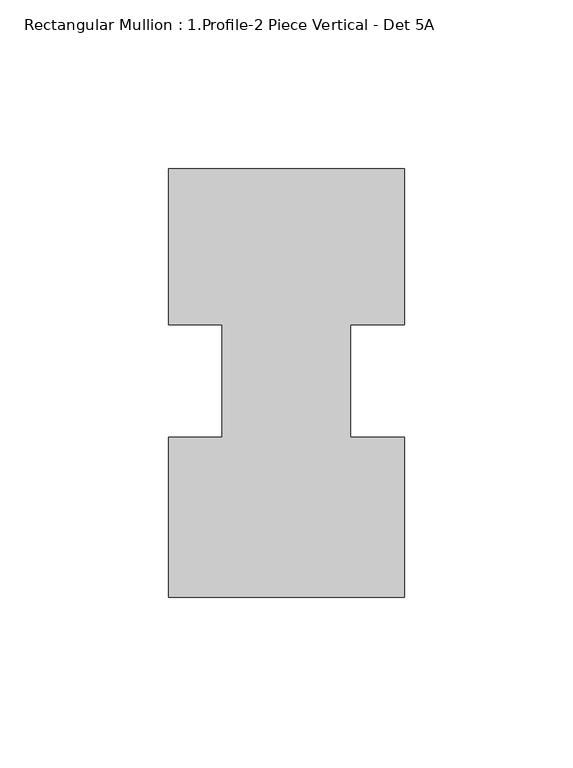
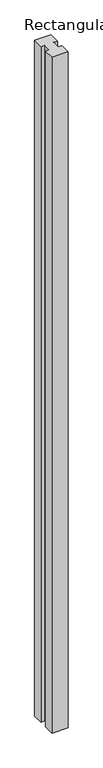
"""IFC4 building model written with IfcOpenShell, lengths in millimetres: member geometry, Rectangular Mullion : 1.Profile-2 Piece Vertical - Det 5A."""

import ifcopenshell
import ifcopenshell.guid

model = None  # the IFC model being written
_history = None  # IfcOwnerHistory: only IFC2X3 demands one
_inside = {}  # id of a spatial element -> (the spatial element, [elements in it])
_under = {}  # id of a project, library or spatial element -> (it, [spatial elements below it])
_declared = {}  # id of a project -> (the project, [libraries it declares])
_typed = {}  # id of a type object -> (the type object, [elements of that type])
_made_of = {}  # id of a material, layer set ... -> (it, [elements and type objects made of it])


def new_model(schema):
    """Start an empty IFC model of exactly this schema.

    Asked for "IFC4X3", IfcOpenShell would pick the latest addendum, in which some entities
    have other attributes; the version numbers below select the first issue.
    IFC2X3 requires an IfcOwnerHistory on every rooted entity: one is made here for all.
    """
    global model, _history
    if schema == "IFC4X3":
        model = ifcopenshell.file(schema_version=(4, 3, 0, 0))
    else:
        model = ifcopenshell.file(schema=schema)
    _inside.clear()
    _under.clear()
    _declared.clear()
    _typed.clear()
    _made_of.clear()
    _history = None
    if model.schema == "IFC2X3":
        org = make("IfcOrganization", Name="unknown")
        user = make(
            "IfcPersonAndOrganization",
            ThePerson=make("IfcPerson", FamilyName="unknown"),
            TheOrganization=org,
        )
        app = make(
            "IfcApplication",
            ApplicationDeveloper=org,
            Version="unknown",
            ApplicationFullName="unknown",
            ApplicationIdentifier="unknown",
        )
        _history = make(
            "IfcOwnerHistory",
            OwningUser=user,
            OwningApplication=app,
            ChangeAction="ADDED",
            CreationDate=0,
        )
    return model


def make(cls, **values):
    """One entity of the class cls with the attributes given. An attribute that is None is left unset."""
    return model.create_entity(
        cls, **{name: value for name, value in values.items() if value is not None}
    )


def rooted(cls, **values):
    """An entity with a GlobalId (a new one), such as an element, a storey or a relation."""
    return make(cls, GlobalId=ifcopenshell.guid.new(), OwnerHistory=_history, **values)


def si_unit(unit_type, name, prefix=None):
    """IfcSIUnit, for example si_unit("LENGTHUNIT", "METRE", prefix="MILLI")."""
    return make("IfcSIUnit", UnitType=unit_type, Prefix=prefix, Name=name)


def assignment(units):
    """IfcUnitAssignment: the units of a project."""
    return None if units is None else make("IfcUnitAssignment", Units=units)


def point(xyz):
    """IfcCartesianPoint."""
    return None if xyz is None else make("IfcCartesianPoint", Coordinates=xyz)


def direction(xyz):
    """IfcDirection."""
    return None if xyz is None else make("IfcDirection", DirectionRatios=xyz)


def frame(location, z_axis=None, x_axis=None):
    """IfcAxis2Placement3D, a coordinate frame: its origin and axes. An axis left out is left unset."""
    return make(
        "IfcAxis2Placement3D",
        Location=point(location),
        Axis=direction(z_axis),
        RefDirection=direction(x_axis),
    )


def origin():
    """The frame at (0, 0, 0) with its axes left unset."""
    return frame((0.0, 0.0, 0.0))


def place(relative_to, where):
    """IfcLocalPlacement: puts the frame where relative to a parent placement (None: the world)."""
    return make(
        "IfcLocalPlacement", PlacementRelTo=relative_to, RelativePlacement=where
    )


def context(
    kind, dimensions, precision=None, world=None, true_north=None, identifier=None
):
    """IfcGeometricRepresentationContext, for example the 3D "Model" context."""
    return make(
        "IfcGeometricRepresentationContext",
        ContextIdentifier=identifier,
        ContextType=kind,
        CoordinateSpaceDimension=dimensions,
        Precision=precision,
        WorldCoordinateSystem=world,
        TrueNorth=true_north,
    )


def project(units=None, contexts=None):
    """IfcProject with its units and contexts."""
    return rooted(
        "IfcProject",
        Name="project",
        RepresentationContexts=contexts,
        UnitsInContext=assignment(units),
    )


def spatial(cls, under=None, at=None, **own):
    """A site, building, storey or space (cls), placed at a placement, below another one or the project."""
    s = rooted(cls, ObjectPlacement=at, **own)
    if under is not None:
        _under.setdefault(under.id(), (under, []))[1].append(s)
    return s


def polyline(points):
    """IfcPolyline through the points."""
    return make("IfcPolyline", Points=[point(p) for p in points])


def outline(outer, holes=None, kind="AREA"):
    """IfcArbitraryClosedProfileDef: a profile drawn as a closed curve; with holes, ...WithVoids."""
    if holes is None:
        return make("IfcArbitraryClosedProfileDef", ProfileType=kind, OuterCurve=outer)
    return make(
        "IfcArbitraryProfileDefWithVoids",
        ProfileType=kind,
        OuterCurve=outer,
        InnerCurves=holes,
    )


def extrude(swept, where, along, depth):
    """IfcExtrudedAreaSolid: the profile swept, set in the frame where, extruded along a direction by depth."""
    return make(
        "IfcExtrudedAreaSolid",
        SweptArea=swept,
        Position=where,
        ExtrudedDirection=direction(along),
        Depth=depth,
    )


def shape(context_of_items, identifier, shape_type, items):
    """IfcShapeRepresentation: the items that make up one representation, for example the "Body"."""
    return make(
        "IfcShapeRepresentation",
        ContextOfItems=context_of_items,
        RepresentationIdentifier=identifier,
        RepresentationType=shape_type,
        Items=items,
    )


def source(mapping_origin, context_of_items, identifier, shape_type, items):
    """IfcRepresentationMap: a shape defined once, which mapped items show again and again."""
    return make(
        "IfcRepresentationMap",
        MappingOrigin=mapping_origin,
        MappedRepresentation=shape(context_of_items, identifier, shape_type, items),
    )


def transform(
    local_origin,
    x_axis=None,
    y_axis=None,
    z_axis=None,
    scale=None,
    scale2=None,
    scale3=None,
    uniform=True,
):
    """IfcCartesianTransformationOperator3D, or its non-uniform kind. x_axis, y_axis, z_axis: its Axis1, 2, 3."""
    if uniform:
        return make(
            "IfcCartesianTransformationOperator3D",
            Axis1=direction(x_axis),
            Axis2=direction(y_axis),
            LocalOrigin=point(local_origin),
            Scale=scale,
            Axis3=direction(z_axis),
        )
    return make(
        "IfcCartesianTransformationOperator3DnonUniform",
        Axis1=direction(x_axis),
        Axis2=direction(y_axis),
        LocalOrigin=point(local_origin),
        Scale=scale,
        Axis3=direction(z_axis),
        Scale2=scale2,
        Scale3=scale3,
    )


def mapped(mapping_source, mapping_target):
    """IfcMappedItem: shows the shape of a source again, moved by a transform."""
    return make(
        "IfcMappedItem", MappingSource=mapping_source, MappingTarget=mapping_target
    )


def made_of(thing, what):
    """Note that an element or type object is made of a material, layer set ...; save() writes the relation."""
    if what is not None:
        _made_of.setdefault(what.id(), (what, []))[1].append(thing)
    return thing


def element(
    cls,
    number,
    at=None,
    inside=None,
    cuts=None,
    type_object=None,
    material=None,
    context=None,
    identifier="Body",
    shape_type=None,
    held_by="IfcProductDefinitionShape",
    body=None,
    shapes=None,
    **own,
):
    """One element of the class cls, such as IfcWall. Its Tag is "e" and its number.

    at: its placement. inside: the storey or other place that contains it. cuts: it is an
    opening in that element (IfcRelVoidsElement). A single representation is given by context,
    identifier, shape_type and body (its items); several are given by shapes. held_by: the class
    of the entity that holds the representations. save() writes the other relations.
    """
    e = rooted(cls, Tag="e%d" % number, ObjectPlacement=at, **own)
    if body is not None:
        shapes = [shape(context, identifier, shape_type, body)]
    if shapes is not None:
        e.Representation = make(held_by, Representations=shapes)
    if inside is not None:
        _inside.setdefault(inside.id(), (inside, []))[1].append(e)
    if cuts is not None:
        rooted(
            "IfcRelVoidsElement", RelatingBuildingElement=cuts, RelatedOpeningElement=e
        )
    if type_object is not None:
        _typed.setdefault(type_object.id(), (type_object, []))[1].append(e)
    return made_of(e, material)


def aggregate(whole, parts):
    """IfcRelAggregates: a whole, such as a stair, and the parts it consists of."""
    return rooted("IfcRelAggregates", RelatingObject=whole, RelatedObjects=parts)


def save(model, path):
    """Write the relations noted so far, then the file.

    IfcRelAggregates (storeys below a building ...), IfcRelContainedInSpatialStructure (elements
    in a storey), IfcRelDefinesByType, IfcRelAssociatesMaterial and IfcRelDeclares: one each for
    every whole, place, type object, material and project.
    """
    for whole, parts in _under.values():
        aggregate(whole, parts)
    for where, things in _inside.values():
        rooted(
            "IfcRelContainedInSpatialStructure",
            RelatedElements=things,
            RelatingStructure=where,
        )
    for kind, things in _typed.values():
        rooted("IfcRelDefinesByType", RelatedObjects=things, RelatingType=kind)
    for what, things in _made_of.values():
        rooted("IfcRelAssociatesMaterial", RelatedObjects=things, RelatingMaterial=what)
    for by, libraries in _declared.values():
        rooted("IfcRelDeclares", RelatingContext=by, RelatedDefinitions=libraries)
    model.write(path)


def rectangular_mullion_1_profile_2_piece_vertical_det_5a_54657bc5(model_context):
    return source(origin(), model_context, "Body", "SweptSolid", [
        extrude(outline(polyline([(0.0, 67.0605371), (0.0, 20.8552137), (-15.875, 20.8552137), (-15.875, -12.4822863), (0.0, -12.4822863), (0.0, -59.9394629), (-69.85, -59.9394629), (-69.85, -12.4822863), (-53.975, -12.4822863), (-53.975, 20.8552137), (-69.85, 20.8552137), (-69.85, 67.0605371), (0.0, 67.0605371)])), frame((0.0, 0.0, -3048.0), z_axis=(0.0, 0.0, 1.0), x_axis=(1.0, 0.0, 0.0)), (0.0, 0.0, 1.0), 3048.0),
    ])


if __name__ == "__main__":
    model = new_model("IFC4")
    model_context = context("Model", 3, world=origin())
    ifc_project = project(units=[si_unit("LENGTHUNIT", "METRE", prefix="MILLI")], contexts=[model_context])
    site = spatial("IfcSite", under=ifc_project)
    building = spatial("IfcBuilding", under=site)
    placement = place(None, origin())
    rectangular_mullion_1_profile_2_piece_vertical_det_5a_shape = rectangular_mullion_1_profile_2_piece_vertical_det_5a_54657bc5(model_context)
    element("IfcMember", 1, ObjectType="Rectangular Mullion : 1.Profile-2 Piece Vertical - Det 5A", at=placement, inside=building, context=model_context, shape_type="MappedRepresentation", body=[
        mapped(rectangular_mullion_1_profile_2_piece_vertical_det_5a_shape, transform((0.0, 0.0, 0.0), x_axis=(1.0, 0.0, 0.0), y_axis=(0.0, 1.0, 0.0), z_axis=(0.0, 0.0, 1.0))),
    ])
    save(model, "model.ifc")
